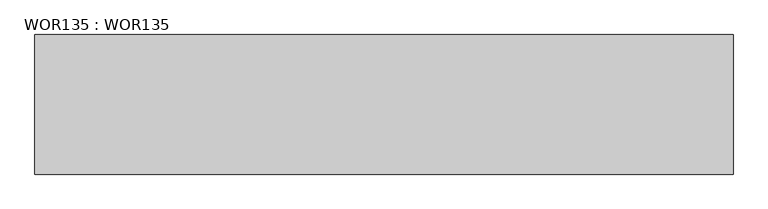
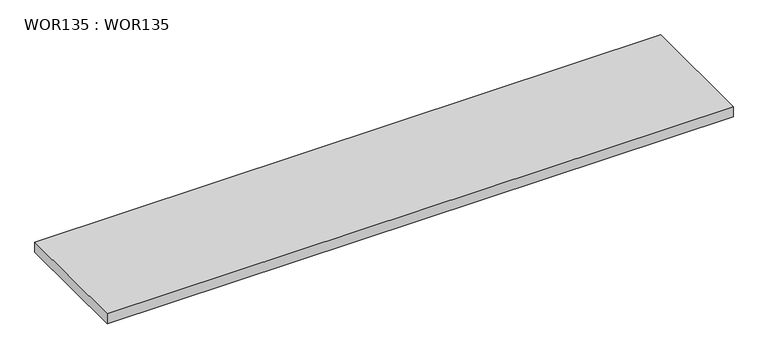
"""IFC4 building model written with IfcOpenShell, lengths in millimetres: proxy geometry, WOR135 : WOR135."""

from ifc_helpers import new_model, si_unit, origin, origin_with_axes, place, context, project, spatial, polyline, outline, extrude, source, transform, mapped, element, save


def wor135_wor135_032c5bd9(model_context):
    return source(origin(), model_context, "Body", "SweptSolid", [
        extrude(outline(polyline([(3000.0, 0.0), (3000.0, -600.0), (0.0, -600.0), (0.0, 0.0), (3000.0, 0.0)])), origin_with_axes(), (0.0, 0.0, 1.0), 50.0),
    ])


if __name__ == "__main__":
    model = new_model("IFC4")
    model_context = context("Model", 3, world=origin())
    ifc_project = project(units=[si_unit("LENGTHUNIT", "METRE", prefix="MILLI")], contexts=[model_context])
    site = spatial("IfcSite", under=ifc_project)
    building = spatial("IfcBuilding", under=site)
    placement = place(None, origin())
    wor135_wor135_shape = wor135_wor135_032c5bd9(model_context)
    element("IfcBuildingElementProxy", 1, Name="WOR135 : WOR135", ObjectType="WOR135 : WOR135", at=placement, inside=building, context=model_context, shape_type="MappedRepresentation", body=[
        mapped(wor135_wor135_shape, transform((0.0, 0.0, 0.0), x_axis=(1.0, 0.0, 0.0), y_axis=(0.0, 1.0, 0.0), z_axis=(0.0, 0.0, 1.0))),
    ])
    save(model, "model.ifc")
